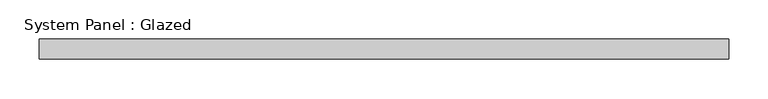
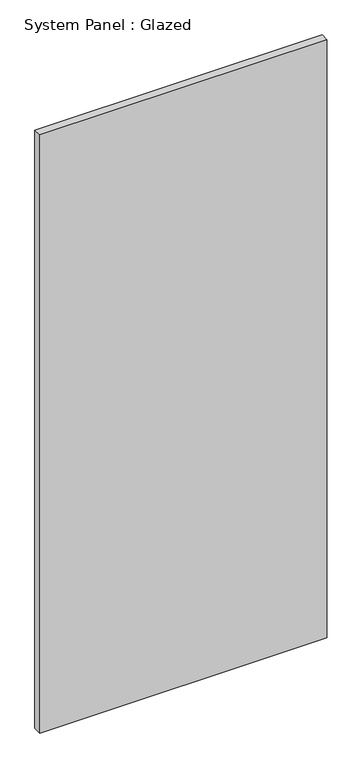
"""IFC4 building model written with IfcOpenShell, lengths in millimetres: plate geometry, System Panel : Glazed."""

from ifc_helpers import new_model, si_unit, origin, origin_with_axes, place, context, project, spatial, polyline, outline, extrude, source, transform, mapped, element, save


def system_panel_glazed_47734797(model_context):
    return source(origin(), model_context, "Body", "SweptSolid", [
        extrude(outline(polyline([(436.7566244, 19.05), (-436.7566244, 19.05), (-436.7566244, 44.45), (436.7566244, 44.45), (436.7566244, 19.05)])), origin_with_axes(), (0.0, 0.0, 1.0), 1924.05),
    ])


if __name__ == "__main__":
    model = new_model("IFC4")
    model_context = context("Model", 3, world=origin())
    ifc_project = project(units=[si_unit("LENGTHUNIT", "METRE", prefix="MILLI")], contexts=[model_context])
    site = spatial("IfcSite", under=ifc_project)
    building = spatial("IfcBuilding", under=site)
    placement = place(None, origin())
    system_panel_glazed_shape = system_panel_glazed_47734797(model_context)
    element("IfcPlate", 1, ObjectType="System Panel : Glazed", at=placement, inside=building, context=model_context, shape_type="MappedRepresentation", body=[
        mapped(system_panel_glazed_shape, transform((0.0, 0.0, 0.0), x_axis=(1.0, 0.0, 0.0), y_axis=(0.0, 1.0, 0.0), z_axis=(0.0, 0.0, 1.0))),
    ])
    save(model, "model.ifc")
